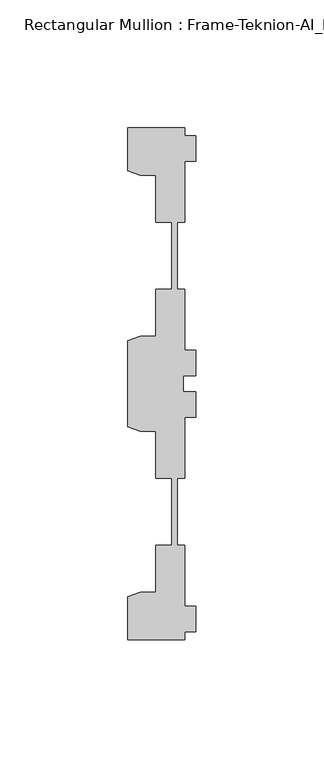
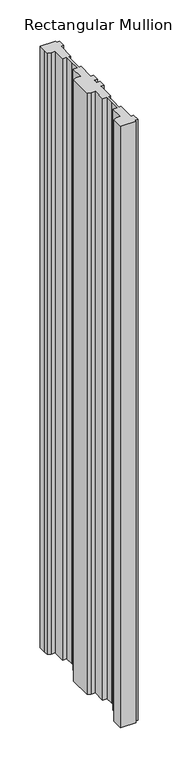
"""IFC4 building model written with IfcOpenShell, lengths in millimetres: member geometry, Rectangular Mullion : Frame-Teknion-AI_Healthcare-Ceiling_Double_Channel."""

import ifcopenshell
import ifcopenshell.guid

model = None  # the IFC model being written
_history = None  # IfcOwnerHistory: only IFC2X3 demands one
_inside = {}  # id of a spatial element -> (the spatial element, [elements in it])
_under = {}  # id of a project, library or spatial element -> (it, [spatial elements below it])
_declared = {}  # id of a project -> (the project, [libraries it declares])
_typed = {}  # id of a type object -> (the type object, [elements of that type])
_made_of = {}  # id of a material, layer set ... -> (it, [elements and type objects made of it])


def new_model(schema):
    """Start an empty IFC model of exactly this schema.

    Asked for "IFC4X3", IfcOpenShell would pick the latest addendum, in which some entities
    have other attributes; the version numbers below select the first issue.
    IFC2X3 requires an IfcOwnerHistory on every rooted entity: one is made here for all.
    """
    global model, _history
    if schema == "IFC4X3":
        model = ifcopenshell.file(schema_version=(4, 3, 0, 0))
    else:
        model = ifcopenshell.file(schema=schema)
    _inside.clear()
    _under.clear()
    _declared.clear()
    _typed.clear()
    _made_of.clear()
    _history = None
    if model.schema == "IFC2X3":
        org = make("IfcOrganization", Name="unknown")
        user = make(
            "IfcPersonAndOrganization",
            ThePerson=make("IfcPerson", FamilyName="unknown"),
            TheOrganization=org,
        )
        app = make(
            "IfcApplication",
            ApplicationDeveloper=org,
            Version="unknown",
            ApplicationFullName="unknown",
            ApplicationIdentifier="unknown",
        )
        _history = make(
            "IfcOwnerHistory",
            OwningUser=user,
            OwningApplication=app,
            ChangeAction="ADDED",
            CreationDate=0,
        )
    return model


def make(cls, **values):
    """One entity of the class cls with the attributes given. An attribute that is None is left unset."""
    return model.create_entity(
        cls, **{name: value for name, value in values.items() if value is not None}
    )


def rooted(cls, **values):
    """An entity with a GlobalId (a new one), such as an element, a storey or a relation."""
    return make(cls, GlobalId=ifcopenshell.guid.new(), OwnerHistory=_history, **values)


def si_unit(unit_type, name, prefix=None):
    """IfcSIUnit, for example si_unit("LENGTHUNIT", "METRE", prefix="MILLI")."""
    return make("IfcSIUnit", UnitType=unit_type, Prefix=prefix, Name=name)


def assignment(units):
    """IfcUnitAssignment: the units of a project."""
    return None if units is None else make("IfcUnitAssignment", Units=units)


def point(xyz):
    """IfcCartesianPoint."""
    return None if xyz is None else make("IfcCartesianPoint", Coordinates=xyz)


def direction(xyz):
    """IfcDirection."""
    return None if xyz is None else make("IfcDirection", DirectionRatios=xyz)


def frame(location, z_axis=None, x_axis=None):
    """IfcAxis2Placement3D, a coordinate frame: its origin and axes. An axis left out is left unset."""
    return make(
        "IfcAxis2Placement3D",
        Location=point(location),
        Axis=direction(z_axis),
        RefDirection=direction(x_axis),
    )


def origin():
    """The frame at (0, 0, 0) with its axes left unset."""
    return frame((0.0, 0.0, 0.0))


def place(relative_to, where):
    """IfcLocalPlacement: puts the frame where relative to a parent placement (None: the world)."""
    return make(
        "IfcLocalPlacement", PlacementRelTo=relative_to, RelativePlacement=where
    )


def context(
    kind, dimensions, precision=None, world=None, true_north=None, identifier=None
):
    """IfcGeometricRepresentationContext, for example the 3D "Model" context."""
    return make(
        "IfcGeometricRepresentationContext",
        ContextIdentifier=identifier,
        ContextType=kind,
        CoordinateSpaceDimension=dimensions,
        Precision=precision,
        WorldCoordinateSystem=world,
        TrueNorth=true_north,
    )


def project(units=None, contexts=None):
    """IfcProject with its units and contexts."""
    return rooted(
        "IfcProject",
        Name="project",
        RepresentationContexts=contexts,
        UnitsInContext=assignment(units),
    )


def spatial(cls, under=None, at=None, **own):
    """A site, building, storey or space (cls), placed at a placement, below another one or the project."""
    s = rooted(cls, ObjectPlacement=at, **own)
    if under is not None:
        _under.setdefault(under.id(), (under, []))[1].append(s)
    return s


def polyline(points):
    """IfcPolyline through the points."""
    return make("IfcPolyline", Points=[point(p) for p in points])


def outline(outer, holes=None, kind="AREA"):
    """IfcArbitraryClosedProfileDef: a profile drawn as a closed curve; with holes, ...WithVoids."""
    if holes is None:
        return make("IfcArbitraryClosedProfileDef", ProfileType=kind, OuterCurve=outer)
    return make(
        "IfcArbitraryProfileDefWithVoids",
        ProfileType=kind,
        OuterCurve=outer,
        InnerCurves=holes,
    )


def extrude(swept, where, along, depth):
    """IfcExtrudedAreaSolid: the profile swept, set in the frame where, extruded along a direction by depth."""
    return make(
        "IfcExtrudedAreaSolid",
        SweptArea=swept,
        Position=where,
        ExtrudedDirection=direction(along),
        Depth=depth,
    )


def shape(context_of_items, identifier, shape_type, items):
    """IfcShapeRepresentation: the items that make up one representation, for example the "Body"."""
    return make(
        "IfcShapeRepresentation",
        ContextOfItems=context_of_items,
        RepresentationIdentifier=identifier,
        RepresentationType=shape_type,
        Items=items,
    )


def source(mapping_origin, context_of_items, identifier, shape_type, items):
    """IfcRepresentationMap: a shape defined once, which mapped items show again and again."""
    return make(
        "IfcRepresentationMap",
        MappingOrigin=mapping_origin,
        MappedRepresentation=shape(context_of_items, identifier, shape_type, items),
    )


def transform(
    local_origin,
    x_axis=None,
    y_axis=None,
    z_axis=None,
    scale=None,
    scale2=None,
    scale3=None,
    uniform=True,
):
    """IfcCartesianTransformationOperator3D, or its non-uniform kind. x_axis, y_axis, z_axis: its Axis1, 2, 3."""
    if uniform:
        return make(
            "IfcCartesianTransformationOperator3D",
            Axis1=direction(x_axis),
            Axis2=direction(y_axis),
            LocalOrigin=point(local_origin),
            Scale=scale,
            Axis3=direction(z_axis),
        )
    return make(
        "IfcCartesianTransformationOperator3DnonUniform",
        Axis1=direction(x_axis),
        Axis2=direction(y_axis),
        LocalOrigin=point(local_origin),
        Scale=scale,
        Axis3=direction(z_axis),
        Scale2=scale2,
        Scale3=scale3,
    )


def mapped(mapping_source, mapping_target):
    """IfcMappedItem: shows the shape of a source again, moved by a transform."""
    return make(
        "IfcMappedItem", MappingSource=mapping_source, MappingTarget=mapping_target
    )


def made_of(thing, what):
    """Note that an element or type object is made of a material, layer set ...; save() writes the relation."""
    if what is not None:
        _made_of.setdefault(what.id(), (what, []))[1].append(thing)
    return thing


def element(
    cls,
    number,
    at=None,
    inside=None,
    cuts=None,
    type_object=None,
    material=None,
    context=None,
    identifier="Body",
    shape_type=None,
    held_by="IfcProductDefinitionShape",
    body=None,
    shapes=None,
    **own,
):
    """One element of the class cls, such as IfcWall. Its Tag is "e" and its number.

    at: its placement. inside: the storey or other place that contains it. cuts: it is an
    opening in that element (IfcRelVoidsElement). A single representation is given by context,
    identifier, shape_type and body (its items); several are given by shapes. held_by: the class
    of the entity that holds the representations. save() writes the other relations.
    """
    e = rooted(cls, Tag="e%d" % number, ObjectPlacement=at, **own)
    if body is not None:
        shapes = [shape(context, identifier, shape_type, body)]
    if shapes is not None:
        e.Representation = make(held_by, Representations=shapes)
    if inside is not None:
        _inside.setdefault(inside.id(), (inside, []))[1].append(e)
    if cuts is not None:
        rooted(
            "IfcRelVoidsElement", RelatingBuildingElement=cuts, RelatedOpeningElement=e
        )
    if type_object is not None:
        _typed.setdefault(type_object.id(), (type_object, []))[1].append(e)
    return made_of(e, material)


def aggregate(whole, parts):
    """IfcRelAggregates: a whole, such as a stair, and the parts it consists of."""
    return rooted("IfcRelAggregates", RelatingObject=whole, RelatedObjects=parts)


def save(model, path):
    """Write the relations noted so far, then the file.

    IfcRelAggregates (storeys below a building ...), IfcRelContainedInSpatialStructure (elements
    in a storey), IfcRelDefinesByType, IfcRelAssociatesMaterial and IfcRelDeclares: one each for
    every whole, place, type object, material and project.
    """
    for whole, parts in _under.values():
        aggregate(whole, parts)
    for where, things in _inside.values():
        rooted(
            "IfcRelContainedInSpatialStructure",
            RelatedElements=things,
            RelatingStructure=where,
        )
    for kind, things in _typed.values():
        rooted("IfcRelDefinesByType", RelatedObjects=things, RelatingType=kind)
    for what, things in _made_of.values():
        rooted("IfcRelAssociatesMaterial", RelatedObjects=things, RelatingMaterial=what)
    for by, libraries in _declared.values():
        rooted("IfcRelDeclares", RelatingContext=by, RelatedDefinitions=libraries)
    model.write(path)


def rectangular_mullion_frame_teknion_ai_healthcare_ceiling_a6a34e65(model_context):
    return source(origin(), model_context, "Body", "SweptSolid", [
        extrude(outline(polyline([(-4.2672007, -100.0110586), (-26.4921999, -100.0110586), (-26.4921999, -83.20115), (-21.6625199, -81.4690854), (-15.6737764, -81.4690854), (-15.6737764, -63.0920594), (-9.4507761, -63.0920594), (-9.4507761, -47.8659877), (-9.4507761, -36.9300571), (-15.6737764, -36.9300571), (-15.6737764, -18.5530311), (-21.6357055, -18.5530311), (-26.4921999, -16.8113452), (-26.4921999, 16.8113452), (-21.6625199, 18.5434146), (-15.6737764, 18.5434146), (-15.6737764, 36.9204406), (-9.4507761, 36.9204406), (-9.4507761, 50.8315128), (-9.4507761, 63.0824429), (-15.6737764, 63.0824429), (-15.6737764, 81.4594689), (-21.6625199, 81.4594689), (-26.4921999, 83.1915336), (-26.4921999, 90.2224424), (-26.4921999, 100.0014421), (-4.2672007, 100.0014421), (-4.2672007, 96.9534451), (0.0, 96.9534451), (0.0, 86.9534377), (-4.2672007, 86.9534377), (-4.2672007, 63.0824429), (-7.1647766, 63.0824429), (-7.1647766, 50.7500324), (-7.1647766, 36.9204406), (-4.2672007, 36.9204406), (-4.2672007, 13.0494413), (0.0, 13.0494413), (0.0, 3.0494419), (-4.7752002, 3.0494419), (-4.7752002, 0.0), (-4.7752002, -3.0494419), (0.0, -3.0494419), (0.0, -13.0494413), (-4.2672007, -13.0494413), (-4.2672007, -36.9204406), (-7.1647766, -36.9204406), (-7.1647766, -48.9859882), (-7.1647766, -63.0824429), (-4.2672007, -63.0824429), (-4.2672007, -86.9534377), (0.0, -86.9534377), (0.0, -96.9534451), (-4.2672007, -96.9534451), (-4.2672007, -100.0110586)])), frame((0.0, 0.0, -911.8979397), z_axis=(0.0, 0.0, 1.0), x_axis=(1.0, 0.0, 0.0)), (0.0, 0.0, 1.0), 911.8979397),
    ])


if __name__ == "__main__":
    model = new_model("IFC4")
    model_context = context("Model", 3, world=origin())
    ifc_project = project(units=[si_unit("LENGTHUNIT", "METRE", prefix="MILLI")], contexts=[model_context])
    site = spatial("IfcSite", under=ifc_project)
    building = spatial("IfcBuilding", under=site)
    placement = place(None, origin())
    rectangular_mullion_frame_teknion_ai_healthcare_ceiling_shape = rectangular_mullion_frame_teknion_ai_healthcare_ceiling_a6a34e65(model_context)
    element("IfcMember", 1, ObjectType="Rectangular Mullion : Frame-Teknion-AI_Healthcare-Ceiling_Double_Channel", at=placement, inside=building, context=model_context, shape_type="MappedRepresentation", body=[
        mapped(rectangular_mullion_frame_teknion_ai_healthcare_ceiling_shape, transform((0.0, 0.0, 0.0), x_axis=(1.0, 0.0, 0.0), y_axis=(0.0, 1.0, 0.0), z_axis=(0.0, 0.0, 1.0))),
    ])
    save(model, "model.ifc")
